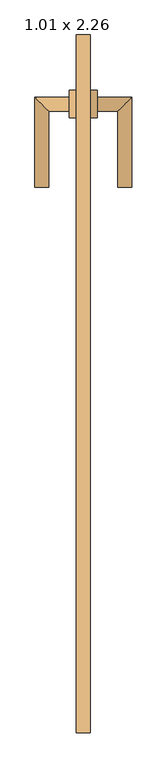
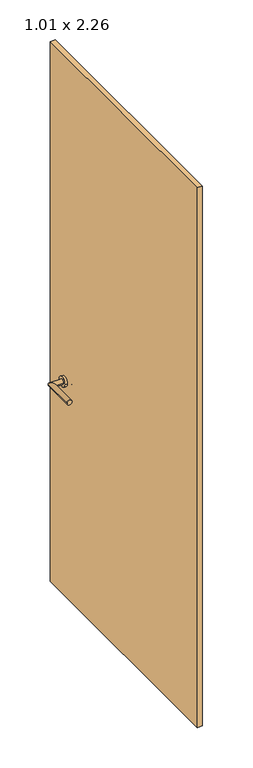
"""IFC4 building model written with IfcOpenShell, lengths in millimetres: door geometry, 1.01 x 2.26."""

from ifc_helpers import new_model, si_unit, point, frame, frame_2d, origin, origin_with_axes, place, context, project, spatial, polyline, circle_curve, ellipse_curve, trimmed, segment, composite_curve, outline, extrude, source, transform, mapped, element, save
from ifc_brep_helpers import plane_surface, cylinder_surface, advanced_brep


def door_1_01_x_2_26_3610348e(model_context):
    return source(origin(), model_context, "Body", "SolidModel", [
        advanced_brep(
        [(475.0, 1084.4346141, 900.0), (475.0, 1064.4346141, 900.0), (425.0, 1084.4346141, 900.0), (445.0, 1064.4346141, 900.0), (425.0, 954.4346141, 900.0), (445.0, 954.4346141, 900.0)],
        [
            (0, 1, circle_curve(frame((475.0, 1074.4346141, 900.0), z_axis=(1.0, 0.0, 0.0), x_axis=(0.0, -1.0000000000000002, 0.0)), 10.0)),
            (1, 0, circle_curve(frame((475.0, 1074.4346141, 900.0), z_axis=(1.0, 0.0, 0.0), x_axis=(0.0, -1.0000000000000002, 0.0)), 10.0)),
            (0, 2),
            (2, 3, ellipse_curve(frame((435.0, 1074.4346141, 900.0), z_axis=(0.7071067811865551, 0.7071067811865399, 0.0), x_axis=(0.7071067811865399, -0.707106781186555, 0.0)), 14.1421356, 10.0)),
            (3, 1),
            (3, 2, ellipse_curve(frame((435.0, 1074.4346141, 900.0), z_axis=(0.7071067811865551, 0.7071067811865399, 0.0), x_axis=(0.7071067811865399, -0.707106781186555, 0.0)), 14.1421356, 10.0)),
            (4, 5, circle_curve(frame((435.0, 954.4346141, 900.0), z_axis=(0.0, -1.0, 0.0), x_axis=(1.0000000000000002, 0.0, 0.0)), 10.0)),
            (5, 4, circle_curve(frame((435.0, 954.4346141, 900.0), z_axis=(0.0, -1.0, 0.0), x_axis=(1.0000000000000002, 0.0, 0.0)), 10.0)),
            (2, 4),
            (5, 3),
        ],
        [
            plane_surface(frame((475.0, 1074.4346141, -387.7526403), z_axis=(1.0, 0.0, 0.0), x_axis=(0.0, 0.0, 1.0))),
            cylinder_surface(frame((475.0, 1074.4346141, 900.0), z_axis=(1.0000000000000002, 0.0, 0.0), x_axis=(0.0, -1.0000000000000002, 0.0)), 10.0),
            plane_surface(frame((435.0, 954.4346141, -387.7526403), z_axis=(0.0, -1.0, 0.0), x_axis=(0.0, 0.0, 1.0))),
            cylinder_surface(frame((435.0, 1074.4346141, 900.0), z_axis=(0.0, 1.0000000000000002, 0.0), x_axis=(1.0000000000000002, 0.0, 0.0)), 10.0),
        ],
        [
            (0, [[1, 2]]),
            (1, [[-1, 3, 4, 5]]),
            (1, [[-2, -5, 6, -3]]),
            (2, [[7, 8]]),
            (3, [[-4, 9, -8, 10]]),
            (3, [[-6, -10, -7, -9]]),
        ],
    ),
        extrude(outline(composite_curve([segment(trimmed(circle_curve(frame_2d((1074.4346141, 900.0)), 20.0), [point((1094.4346141, 900.0))], [point((1054.4346141, 900.0))], False, "CARTESIAN"), True, "CONTINUOUS"), segment(trimmed(circle_curve(frame_2d((1074.4346141, 900.0)), 20.0), [point((1054.4346141, 900.0))], [point((1094.4346141, 900.0))], False, "CARTESIAN"), True, "CONTINUOUS")], self_intersect=False)), frame((475.0, 0.0, 0.0), z_axis=(1.0, 0.0, 0.0), x_axis=(0.0, 1.0, 0.0)), (0.0, 0.0, 1.0), 10.0),
        advanced_brep(
        [(515.0, 1064.4346141, 900.0), (515.0, 1084.4346141, 900.0), (545.0, 1064.4346141, 900.0), (565.0, 1084.4346141, 900.0), (545.0, 954.4346141, 900.0), (565.0, 954.4346141, 900.0)],
        [
            (0, 1, circle_curve(frame((515.0, 1074.4346141, 900.0), z_axis=(-1.0, 0.0, 0.0), x_axis=(0.0, 1.0000000000000002, 0.0)), 10.0)),
            (1, 0, circle_curve(frame((515.0, 1074.4346141, 900.0), z_axis=(-1.0, 0.0, 0.0), x_axis=(0.0, 1.0000000000000002, 0.0)), 10.0)),
            (0, 2),
            (2, 3, ellipse_curve(frame((555.0, 1074.4346141, 900.0), z_axis=(-0.7071067811865488, 0.7071067811865462, 0.0), x_axis=(-0.7071067811865462, -0.7071067811865487, 0.0)), 14.1421356, 10.0)),
            (3, 1),
            (3, 2, ellipse_curve(frame((555.0, 1074.4346141, 900.0), z_axis=(-0.7071067811865488, 0.7071067811865462, 0.0), x_axis=(-0.7071067811865462, -0.7071067811865487, 0.0)), 14.1421356, 10.0)),
            (4, 5, circle_curve(frame((555.0, 954.4346141, 900.0), z_axis=(0.0, -1.0, 0.0), x_axis=(1.0000000000000002, 0.0, 0.0)), 10.0)),
            (5, 4, circle_curve(frame((555.0, 954.4346141, 900.0), z_axis=(0.0, -1.0, 0.0), x_axis=(1.0000000000000002, 0.0, 0.0)), 10.0)),
            (2, 4),
            (5, 3),
        ],
        [
            plane_surface(frame((515.0, 1074.4346141, -387.7526403), z_axis=(-1.0, 0.0, 0.0), x_axis=(0.0, 0.0, 1.0))),
            cylinder_surface(frame((515.0, 1074.4346141, 900.0), z_axis=(-1.0000000000000002, 0.0, 0.0), x_axis=(0.0, 1.0000000000000002, 0.0)), 10.0),
            plane_surface(frame((555.0, 954.4346141, -387.7526403), z_axis=(0.0, -1.0, 0.0), x_axis=(0.0, 0.0, 1.0))),
            cylinder_surface(frame((555.0, 1074.4346141, 900.0), z_axis=(0.0, 1.0000000000000002, 0.0), x_axis=(1.0000000000000002, 0.0, 0.0)), 10.0),
        ],
        [
            (0, [[1, 2]]),
            (1, [[-1, 3, 4, 5]]),
            (1, [[-2, -5, 6, -3]]),
            (2, [[7, 8]]),
            (3, [[-4, 9, -8, 10]]),
            (3, [[-6, -10, -7, -9]]),
        ],
    ),
        extrude(outline(composite_curve([segment(trimmed(circle_curve(frame_2d((1074.4346141, 900.0)), 20.0), [point((1094.4346141, 900.0))], [point((1054.4346141, 900.0))], False, "CARTESIAN"), True, "CONTINUOUS"), segment(trimmed(circle_curve(frame_2d((1074.4346141, 900.0)), 20.0), [point((1054.4346141, 900.0))], [point((1094.4346141, 900.0))], False, "CARTESIAN"), True, "CONTINUOUS")], self_intersect=False)), frame((505.0, 0.0, 0.0), z_axis=(1.0, 0.0, 0.0), x_axis=(0.0, 1.0, 0.0)), (0.0, 0.0, 1.0), 10.0),
        extrude(outline(polyline([(485.0, 164.4346141), (485.0, 1174.4346141), (505.0, 1174.4346141), (505.0, 164.4346141), (485.0, 164.4346141)])), origin_with_axes(), (0.0, 0.0, 1.0), 2260.0),
    ])


if __name__ == "__main__":
    model = new_model("IFC4")
    model_context = context("Model", 3, world=origin())
    ifc_project = project(units=[si_unit("LENGTHUNIT", "METRE", prefix="MILLI")], contexts=[model_context])
    site = spatial("IfcSite", under=ifc_project)
    building = spatial("IfcBuilding", under=site)
    placement = place(None, origin())
    door_1_01_x_2_26_shape = door_1_01_x_2_26_3610348e(model_context)
    element("IfcDoor", 1, ObjectType="1.01 x 2.26", at=placement, inside=building, context=model_context, shape_type="MappedRepresentation", body=[
        mapped(door_1_01_x_2_26_shape, transform((0.0, 0.0, 0.0), x_axis=(1.0, 0.0, 0.0), y_axis=(0.0, 1.0, 0.0), z_axis=(0.0, 0.0, 1.0))),
    ])
    save(model, "model.ifc")
